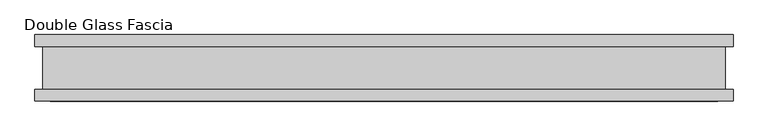
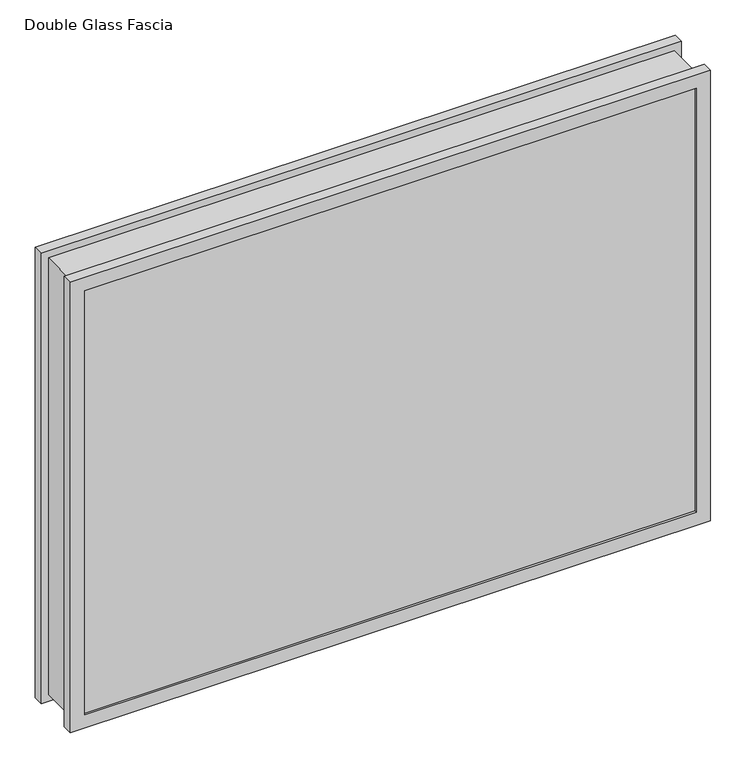
"""IFC4 building model written with IfcOpenShell, lengths in millimetres: proxy geometry, Double Glass Fascia."""

from ifc_helpers import new_model, si_unit, frame, origin, place, context, project, spatial, polyline, outline, extrude, faceted_brep, source, transform, mapped, element, save


def double_glass_fascia_5a373add(model_context):
    return source(origin(), model_context, "Body", "SolidModel", [
        faceted_brep([(513.2524737, 32.4352299, 772.3640849), (513.2524737, -32.4352299, 772.3640849), (513.2524737, -32.4352299, 15.0359151), (513.2524737, 32.4352299, 15.0359151), (-513.2524737, -32.4352299, 15.0359151), (-513.2524737, 32.4352299, 15.0359151), (-513.2524737, -32.4352299, 772.3640849), (-513.2524737, 32.4352299, 772.3640849), (502.0755888, -38.8962152, 761.1872), (502.0755888, 38.8962152, 761.1872), (502.0755888, 38.8962152, 26.2128), (502.0755888, -38.8962152, 26.2128), (518.8102281, -47.1322551, 777.9218392), (518.8102281, -38.8962152, 777.9218392), (518.8102281, -38.8962152, 9.4781608), (518.8102281, -47.1322551, 9.4781608), (501.8977888, -50.0558594, 761.0094), (501.8977888, -47.1322551, 761.0094), (501.8977888, -47.1322551, 26.3906), (501.8977888, -50.0558594, 26.3906), (525.1133888, -32.4352299, 784.225), (525.1133888, -50.0558594, 784.225), (525.1133888, -50.0558594, 3.175), (525.1133888, -32.4352299, 3.175), (-502.0755888, 38.8962152, 26.2128), (-502.0755888, -38.8962152, 26.2128), (-518.8102281, -38.8962152, 9.4781608), (-518.8102281, -47.1322551, 9.4781608), (-501.8977888, -47.1322551, 26.3906), (-501.8977888, -50.0558594, 26.3906), (-525.1133888, -50.0558594, 3.175), (-525.1133888, -32.4352299, 3.175), (-502.0755888, 38.8962152, 761.1872), (-502.0755888, -38.8962152, 761.1872), (-518.8102281, -38.8962152, 777.9218392), (-518.8102281, -47.1322551, 777.9218392), (-501.8977888, -47.1322551, 761.0094), (-501.8977888, -50.0558594, 761.0094), (-525.1133888, -50.0558594, 784.225), (-525.1133888, -32.4352299, 784.225), (525.1133888, 50.0558594, 784.225), (525.1133888, 32.4352299, 784.225), (525.1133888, 32.4352299, 3.175), (525.1133888, 50.0558594, 3.175), (502.0755888, 47.1322551, 761.1872), (502.0755888, 50.0558594, 761.1872), (502.0755888, 50.0558594, 26.2128), (502.0755888, 47.1322551, 26.2128), (518.8102281, 38.8962152, 777.9218392), (518.8102281, 47.1322551, 777.9218392), (518.8102281, 47.1322551, 9.4781608), (518.8102281, 38.8962152, 9.4781608), (-525.1133888, 32.4352299, 3.175), (-525.1133888, 50.0558594, 3.175), (-502.0755888, 50.0558594, 26.2128), (-502.0755888, 47.1322551, 26.2128), (-518.8102281, 47.1322551, 9.4781608), (-518.8102281, 38.8962152, 9.4781608), (-525.1133888, 32.4352299, 784.225), (-525.1133888, 50.0558594, 784.225), (-502.0755888, 50.0558594, 761.1872), (-502.0755888, 47.1322551, 761.1872), (-518.8102281, 47.1322551, 777.9218392), (-518.8102281, 38.8962152, 777.9218392)], [[[0, 1, 2, 3]], [[3, 2, 4, 5]], [[5, 4, 6, 7]], [[7, 6, 1, 0]], [[8, 9, 10, 11]], [[12, 13, 14, 15]], [[16, 17, 18, 19]], [[20, 21, 22, 23]], [[11, 10, 24, 25]], [[15, 14, 26, 27]], [[19, 18, 28, 29]], [[23, 22, 30, 31]], [[25, 24, 32, 33]], [[27, 26, 34, 35]], [[29, 28, 36, 37]], [[31, 30, 38, 39]], [[33, 32, 9, 8]], [[13, 34, 26, 14], [11, 25, 33, 8]], [[35, 34, 13, 12]], [[15, 27, 35, 12], [17, 36, 28, 18]], [[37, 36, 17, 16]], [[21, 38, 30, 22], [19, 29, 37, 16]], [[39, 38, 21, 20]], [[23, 31, 39, 20], [1, 6, 4, 2]], [[40, 41, 42, 43]], [[44, 45, 46, 47]], [[48, 49, 50, 51]], [[43, 42, 52, 53]], [[47, 46, 54, 55]], [[51, 50, 56, 57]], [[53, 52, 58, 59]], [[55, 54, 60, 61]], [[57, 56, 62, 63]], [[41, 58, 52, 42], [3, 5, 7, 0]], [[59, 58, 41, 40]], [[43, 53, 59, 40], [45, 60, 54, 46]], [[61, 60, 45, 44]], [[49, 62, 56, 50], [47, 55, 61, 44]], [[63, 62, 49, 48]], [[51, 57, 63, 48], [9, 32, 24, 10]]]),
        extrude(outline(polyline([(514.2883889, -40.9277344), (514.2883889, -46.8808594), (-514.2883889, -46.8808594), (-514.2883889, -40.9277344), (514.2883889, -40.9277344)])), frame((0.0, 0.0, 5.3275263), z_axis=(0.0, 0.0, 1.0), x_axis=(1.0, 0.0, 0.0)), (0.0, 0.0, 1.0), 776.250928),
        extrude(outline(polyline([(514.2883889, 41.1791301), (-514.2883889, 41.1791301), (-514.2883889, 47.1322551), (514.2883889, 47.1322551), (514.2883889, 41.1791301)])), frame((0.0, 0.0, 5.3275263), z_axis=(0.0, 0.0, 1.0), x_axis=(1.0, 0.0, 0.0)), (0.0, 0.0, 1.0), 776.250928),
    ])


if __name__ == "__main__":
    model = new_model("IFC4")
    model_context = context("Model", 3, world=origin())
    ifc_project = project(units=[si_unit("LENGTHUNIT", "METRE", prefix="MILLI")], contexts=[model_context])
    site = spatial("IfcSite", under=ifc_project)
    building = spatial("IfcBuilding", under=site)
    placement = place(None, origin())
    double_glass_fascia_shape = double_glass_fascia_5a373add(model_context)
    element("IfcBuildingElementProxy", 1, Name="Double Glass Fascia", ObjectType="Double Glass Fascia", at=placement, inside=building, context=model_context, shape_type="MappedRepresentation", body=[
        mapped(double_glass_fascia_shape, transform((0.0, 0.0, 0.0), x_axis=(1.0, 0.0, 0.0), y_axis=(0.0, 1.0, 0.0), z_axis=(0.0, 0.0, 1.0))),
    ])
    save(model, "model.ifc")
